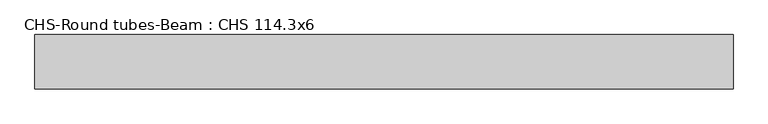
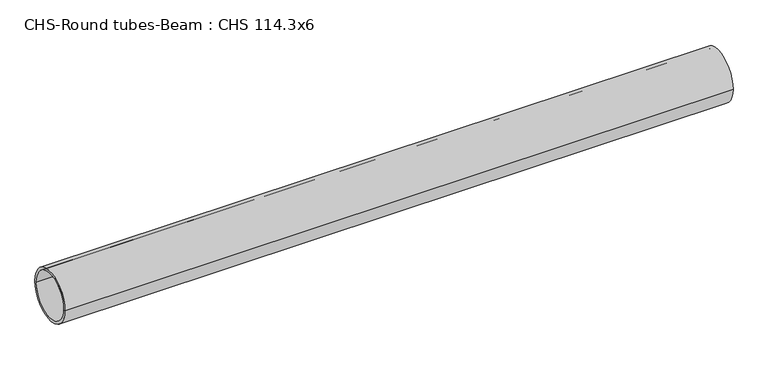
"""IFC4 building model written with IfcOpenShell, lengths in millimetres: beam geometry, CHS-Round tubes-Beam : CHS 114.3x6."""

from ifc_helpers import new_model, si_unit, point, frame, origin, origin_2d, place, context, project, spatial, circle_curve, trimmed, segment, composite_curve, outline, extrude, source, transform, mapped, element, save


def chs_round_tubes_beam_chs_114_3x6_4f6b5485(model_context):
    return source(origin(), model_context, "Body", "SweptSolid", [
        extrude(outline(composite_curve([segment(trimmed(circle_curve(origin_2d(), 57.15), [point((57.15, 0.0))], [point((-57.15, 0.0))], False, "CARTESIAN"), True, "CONTINUOUS"), segment(trimmed(circle_curve(origin_2d(), 57.15), [point((-57.15, 0.0))], [point((57.15, 0.0))], False, "CARTESIAN"), True, "CONTINUOUS")], self_intersect=False), holes=[composite_curve([segment(trimmed(circle_curve(origin_2d(), 51.15), [point((51.15, 0.0))], [point((-51.15, 0.0))], True, "CARTESIAN"), True, "CONTINUOUS"), segment(trimmed(circle_curve(origin_2d(), 51.15), [point((-51.15, 0.0))], [point((51.15, 0.0))], True, "CARTESIAN"), True, "CONTINUOUS")], self_intersect=False)]), frame((-744.6190315, 0.0, 0.0), z_axis=(1.0, 0.0, 0.0), x_axis=(0.0, 1.0, 0.0)), (0.0, 0.0, 1.0), 1471.3087898),
    ])


if __name__ == "__main__":
    model = new_model("IFC4")
    model_context = context("Model", 3, world=origin())
    ifc_project = project(units=[si_unit("LENGTHUNIT", "METRE", prefix="MILLI")], contexts=[model_context])
    site = spatial("IfcSite", under=ifc_project)
    building = spatial("IfcBuilding", under=site)
    placement = place(None, origin())
    chs_round_tubes_beam_chs_114_3x6_shape = chs_round_tubes_beam_chs_114_3x6_4f6b5485(model_context)
    element("IfcBeam", 1, ObjectType="CHS-Round tubes-Beam : CHS 114.3x6", at=placement, inside=building, context=model_context, shape_type="MappedRepresentation", body=[
        mapped(chs_round_tubes_beam_chs_114_3x6_shape, transform((0.0, 0.0, 0.0), x_axis=(1.0, 0.0, 0.0), y_axis=(0.0, 1.0, 0.0), z_axis=(0.0, 0.0, 1.0))),
    ])
    save(model, "model.ifc")
